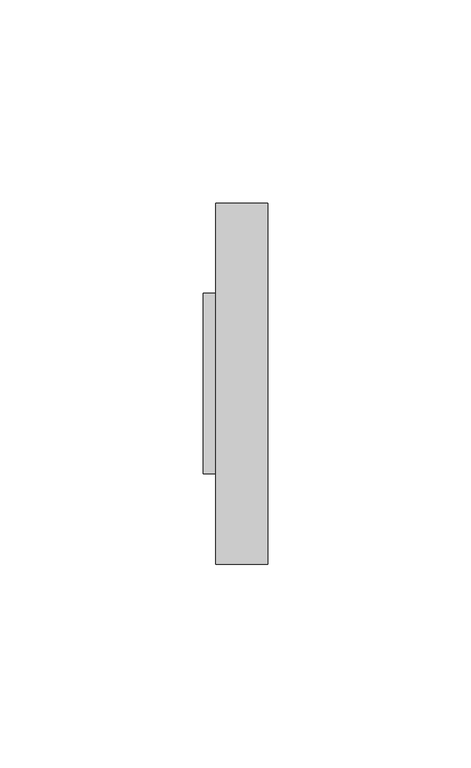
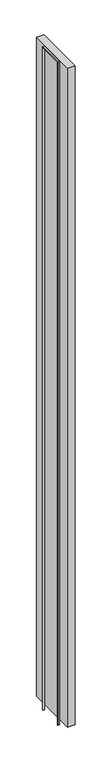
"""IFC4 building model written with IfcOpenShell, lengths in millimetres: furniture geometry."""

from ifc_helpers import new_model, si_unit, frame, origin, place, context, project, spatial, polyline, outline, extrude, source, transform, mapped, element, save


def furniture_9531fafe(model_context):
    return source(origin(), model_context, "Body", "SweptSolid", [
        extrude(outline(polyline([(16.4287944, 1166.8125), (16.4287944, 0.0), (15.6350444, 0.0), (15.6350444, 1166.01875), (-27.2274556, 1166.01875), (-27.2274556, 0.0), (-28.0212056, 0.0), (-28.0212056, 1166.8125), (16.4287944, 1166.8125)])), frame((-8.5456018, 0.0, 0.0), z_axis=(1.0, 0.0, 0.0), x_axis=(0.0, 1.0, 0.0)), (0.0, 0.0, 1.0), 3.175),
        extrude(outline(polyline([(7.3293982, 38.6537944), (7.3293982, -50.2462056), (-5.3706018, -50.2462056), (-5.3706018, 38.6537944), (7.3293982, 38.6537944)])), frame((0.0, 0.0, 9.525), z_axis=(0.0, 0.0, 1.0), x_axis=(1.0, 0.0, 0.0)), (0.0, 0.0, 1.0), 1158.875),
    ])


if __name__ == "__main__":
    model = new_model("IFC4")
    model_context = context("Model", 3, world=origin())
    ifc_project = project(units=[si_unit("LENGTHUNIT", "METRE", prefix="MILLI")], contexts=[model_context])
    site = spatial("IfcSite", under=ifc_project)
    building = spatial("IfcBuilding", under=site)
    placement = place(None, origin())
    furniture_shape = furniture_9531fafe(model_context)
    element("IfcFurniture", 1, at=placement, inside=building, context=model_context, shape_type="MappedRepresentation", body=[
        mapped(furniture_shape, transform((0.0, 0.0, 0.0), x_axis=(1.0, 0.0, 0.0), y_axis=(0.0, 1.0, 0.0), z_axis=(0.0, 0.0, 1.0))),
    ])
    save(model, "model.ifc")
